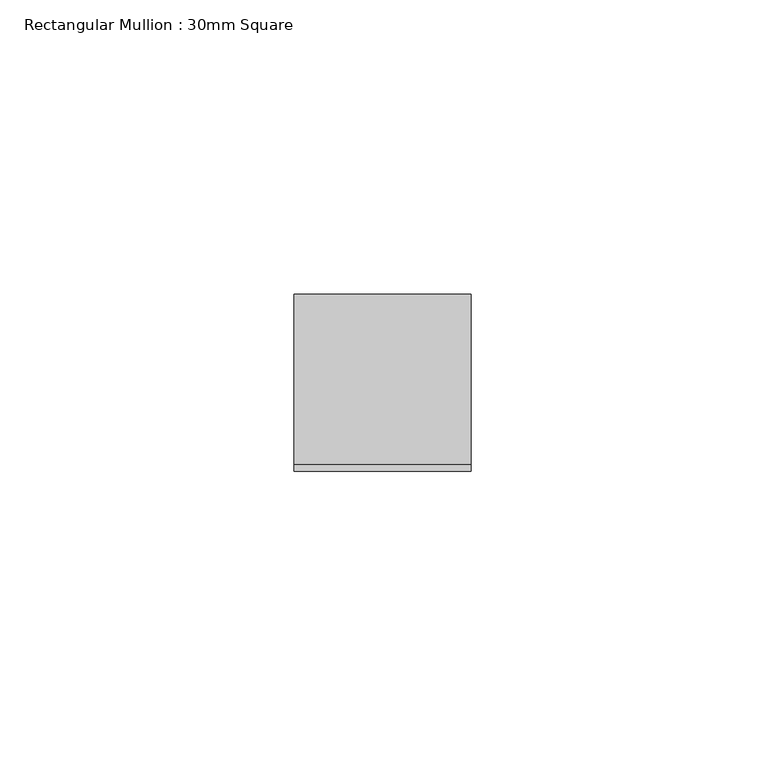
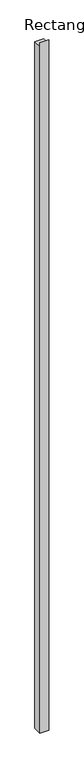
"""IFC4 building model written with IfcOpenShell, lengths in millimetres: member geometry, Rectangular Mullion : 30mm Square."""

import ifcopenshell
import ifcopenshell.guid

model = None  # the IFC model being written
_history = None  # IfcOwnerHistory: only IFC2X3 demands one
_inside = {}  # id of a spatial element -> (the spatial element, [elements in it])
_under = {}  # id of a project, library or spatial element -> (it, [spatial elements below it])
_declared = {}  # id of a project -> (the project, [libraries it declares])
_typed = {}  # id of a type object -> (the type object, [elements of that type])
_made_of = {}  # id of a material, layer set ... -> (it, [elements and type objects made of it])


def new_model(schema):
    """Start an empty IFC model of exactly this schema.

    Asked for "IFC4X3", IfcOpenShell would pick the latest addendum, in which some entities
    have other attributes; the version numbers below select the first issue.
    IFC2X3 requires an IfcOwnerHistory on every rooted entity: one is made here for all.
    """
    global model, _history
    if schema == "IFC4X3":
        model = ifcopenshell.file(schema_version=(4, 3, 0, 0))
    else:
        model = ifcopenshell.file(schema=schema)
    _inside.clear()
    _under.clear()
    _declared.clear()
    _typed.clear()
    _made_of.clear()
    _history = None
    if model.schema == "IFC2X3":
        org = make("IfcOrganization", Name="unknown")
        user = make(
            "IfcPersonAndOrganization",
            ThePerson=make("IfcPerson", FamilyName="unknown"),
            TheOrganization=org,
        )
        app = make(
            "IfcApplication",
            ApplicationDeveloper=org,
            Version="unknown",
            ApplicationFullName="unknown",
            ApplicationIdentifier="unknown",
        )
        _history = make(
            "IfcOwnerHistory",
            OwningUser=user,
            OwningApplication=app,
            ChangeAction="ADDED",
            CreationDate=0,
        )
    return model


def make(cls, **values):
    """One entity of the class cls with the attributes given. An attribute that is None is left unset."""
    return model.create_entity(
        cls, **{name: value for name, value in values.items() if value is not None}
    )


def rooted(cls, **values):
    """An entity with a GlobalId (a new one), such as an element, a storey or a relation."""
    return make(cls, GlobalId=ifcopenshell.guid.new(), OwnerHistory=_history, **values)


def si_unit(unit_type, name, prefix=None):
    """IfcSIUnit, for example si_unit("LENGTHUNIT", "METRE", prefix="MILLI")."""
    return make("IfcSIUnit", UnitType=unit_type, Prefix=prefix, Name=name)


def assignment(units):
    """IfcUnitAssignment: the units of a project."""
    return None if units is None else make("IfcUnitAssignment", Units=units)


def point(xyz):
    """IfcCartesianPoint."""
    return None if xyz is None else make("IfcCartesianPoint", Coordinates=xyz)


def direction(xyz):
    """IfcDirection."""
    return None if xyz is None else make("IfcDirection", DirectionRatios=xyz)


def frame(location, z_axis=None, x_axis=None):
    """IfcAxis2Placement3D, a coordinate frame: its origin and axes. An axis left out is left unset."""
    return make(
        "IfcAxis2Placement3D",
        Location=point(location),
        Axis=direction(z_axis),
        RefDirection=direction(x_axis),
    )


def origin():
    """The frame at (0, 0, 0) with its axes left unset."""
    return frame((0.0, 0.0, 0.0))


def place(relative_to, where):
    """IfcLocalPlacement: puts the frame where relative to a parent placement (None: the world)."""
    return make(
        "IfcLocalPlacement", PlacementRelTo=relative_to, RelativePlacement=where
    )


def context(
    kind, dimensions, precision=None, world=None, true_north=None, identifier=None
):
    """IfcGeometricRepresentationContext, for example the 3D "Model" context."""
    return make(
        "IfcGeometricRepresentationContext",
        ContextIdentifier=identifier,
        ContextType=kind,
        CoordinateSpaceDimension=dimensions,
        Precision=precision,
        WorldCoordinateSystem=world,
        TrueNorth=true_north,
    )


def project(units=None, contexts=None):
    """IfcProject with its units and contexts."""
    return rooted(
        "IfcProject",
        Name="project",
        RepresentationContexts=contexts,
        UnitsInContext=assignment(units),
    )


def spatial(cls, under=None, at=None, **own):
    """A site, building, storey or space (cls), placed at a placement, below another one or the project."""
    s = rooted(cls, ObjectPlacement=at, **own)
    if under is not None:
        _under.setdefault(under.id(), (under, []))[1].append(s)
    return s


def polyline(points):
    """IfcPolyline through the points."""
    return make("IfcPolyline", Points=[point(p) for p in points])


def outline(outer, holes=None, kind="AREA"):
    """IfcArbitraryClosedProfileDef: a profile drawn as a closed curve; with holes, ...WithVoids."""
    if holes is None:
        return make("IfcArbitraryClosedProfileDef", ProfileType=kind, OuterCurve=outer)
    return make(
        "IfcArbitraryProfileDefWithVoids",
        ProfileType=kind,
        OuterCurve=outer,
        InnerCurves=holes,
    )


def extrude(swept, where, along, depth):
    """IfcExtrudedAreaSolid: the profile swept, set in the frame where, extruded along a direction by depth."""
    return make(
        "IfcExtrudedAreaSolid",
        SweptArea=swept,
        Position=where,
        ExtrudedDirection=direction(along),
        Depth=depth,
    )


def shape(context_of_items, identifier, shape_type, items):
    """IfcShapeRepresentation: the items that make up one representation, for example the "Body"."""
    return make(
        "IfcShapeRepresentation",
        ContextOfItems=context_of_items,
        RepresentationIdentifier=identifier,
        RepresentationType=shape_type,
        Items=items,
    )


def source(mapping_origin, context_of_items, identifier, shape_type, items):
    """IfcRepresentationMap: a shape defined once, which mapped items show again and again."""
    return make(
        "IfcRepresentationMap",
        MappingOrigin=mapping_origin,
        MappedRepresentation=shape(context_of_items, identifier, shape_type, items),
    )


def transform(
    local_origin,
    x_axis=None,
    y_axis=None,
    z_axis=None,
    scale=None,
    scale2=None,
    scale3=None,
    uniform=True,
):
    """IfcCartesianTransformationOperator3D, or its non-uniform kind. x_axis, y_axis, z_axis: its Axis1, 2, 3."""
    if uniform:
        return make(
            "IfcCartesianTransformationOperator3D",
            Axis1=direction(x_axis),
            Axis2=direction(y_axis),
            LocalOrigin=point(local_origin),
            Scale=scale,
            Axis3=direction(z_axis),
        )
    return make(
        "IfcCartesianTransformationOperator3DnonUniform",
        Axis1=direction(x_axis),
        Axis2=direction(y_axis),
        LocalOrigin=point(local_origin),
        Scale=scale,
        Axis3=direction(z_axis),
        Scale2=scale2,
        Scale3=scale3,
    )


def mapped(mapping_source, mapping_target):
    """IfcMappedItem: shows the shape of a source again, moved by a transform."""
    return make(
        "IfcMappedItem", MappingSource=mapping_source, MappingTarget=mapping_target
    )


def made_of(thing, what):
    """Note that an element or type object is made of a material, layer set ...; save() writes the relation."""
    if what is not None:
        _made_of.setdefault(what.id(), (what, []))[1].append(thing)
    return thing


def element(
    cls,
    number,
    at=None,
    inside=None,
    cuts=None,
    type_object=None,
    material=None,
    context=None,
    identifier="Body",
    shape_type=None,
    held_by="IfcProductDefinitionShape",
    body=None,
    shapes=None,
    **own,
):
    """One element of the class cls, such as IfcWall. Its Tag is "e" and its number.

    at: its placement. inside: the storey or other place that contains it. cuts: it is an
    opening in that element (IfcRelVoidsElement). A single representation is given by context,
    identifier, shape_type and body (its items); several are given by shapes. held_by: the class
    of the entity that holds the representations. save() writes the other relations.
    """
    e = rooted(cls, Tag="e%d" % number, ObjectPlacement=at, **own)
    if body is not None:
        shapes = [shape(context, identifier, shape_type, body)]
    if shapes is not None:
        e.Representation = make(held_by, Representations=shapes)
    if inside is not None:
        _inside.setdefault(inside.id(), (inside, []))[1].append(e)
    if cuts is not None:
        rooted(
            "IfcRelVoidsElement", RelatingBuildingElement=cuts, RelatedOpeningElement=e
        )
    if type_object is not None:
        _typed.setdefault(type_object.id(), (type_object, []))[1].append(e)
    return made_of(e, material)


def aggregate(whole, parts):
    """IfcRelAggregates: a whole, such as a stair, and the parts it consists of."""
    return rooted("IfcRelAggregates", RelatingObject=whole, RelatedObjects=parts)


def save(model, path):
    """Write the relations noted so far, then the file.

    IfcRelAggregates (storeys below a building ...), IfcRelContainedInSpatialStructure (elements
    in a storey), IfcRelDefinesByType, IfcRelAssociatesMaterial and IfcRelDeclares: one each for
    every whole, place, type object, material and project.
    """
    for whole, parts in _under.values():
        aggregate(whole, parts)
    for where, things in _inside.values():
        rooted(
            "IfcRelContainedInSpatialStructure",
            RelatedElements=things,
            RelatingStructure=where,
        )
    for kind, things in _typed.values():
        rooted("IfcRelDefinesByType", RelatedObjects=things, RelatingType=kind)
    for what, things in _made_of.values():
        rooted("IfcRelAssociatesMaterial", RelatedObjects=things, RelatingMaterial=what)
    for by, libraries in _declared.values():
        rooted("IfcRelDeclares", RelatingContext=by, RelatedDefinitions=libraries)
    model.write(path)


def rectangular_mullion_30mm_square_a75c0846(model_context):
    return source(origin(), model_context, "Body", "SweptSolid", [
        extrude(outline(polyline([(-15.0, 14.4444596), (-13.8493475, -1.0684652), (15.0, 1.0714004), (15.0, -2470.000017), (-15.0, -2470.000017), (-15.0, 14.4444596)])), frame((-30.0, 0.0, 0.0), z_axis=(1.0, 0.0, 0.0), x_axis=(0.0, 1.0, 0.0)), (0.0, 0.0, 1.0), 30.0),
    ])


if __name__ == "__main__":
    model = new_model("IFC4")
    model_context = context("Model", 3, world=origin())
    ifc_project = project(units=[si_unit("LENGTHUNIT", "METRE", prefix="MILLI")], contexts=[model_context])
    site = spatial("IfcSite", under=ifc_project)
    building = spatial("IfcBuilding", under=site)
    placement = place(None, origin())
    rectangular_mullion_30mm_square_shape = rectangular_mullion_30mm_square_a75c0846(model_context)
    element("IfcMember", 1, ObjectType="Rectangular Mullion : 30mm Square", at=placement, inside=building, context=model_context, shape_type="MappedRepresentation", body=[
        mapped(rectangular_mullion_30mm_square_shape, transform((0.0, 0.0, 0.0), x_axis=(1.0, 0.0, 0.0), y_axis=(0.0, 1.0, 0.0), z_axis=(0.0, 0.0, 1.0))),
    ])
    save(model, "model.ifc")
